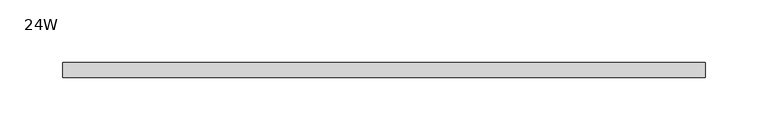
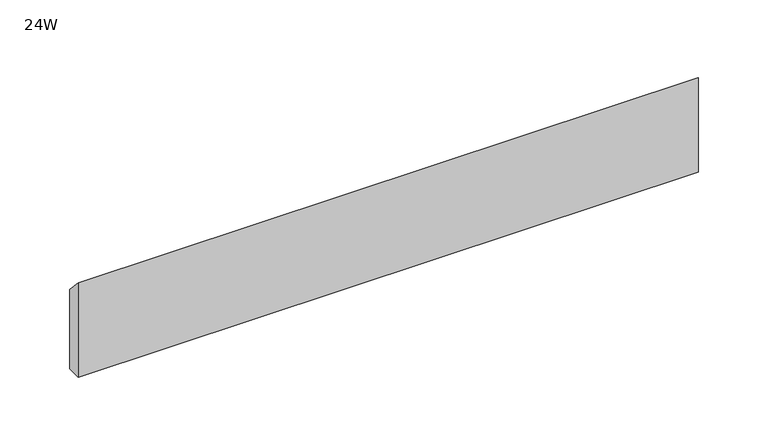
"""IFC4 building model written with IfcOpenShell, lengths in millimetres: furniture geometry, 24W."""

from ifc_helpers import new_model, si_unit, frame, origin, place, context, project, spatial, polyline, outline, extrude, source, transform, mapped, element, save


def furniture_24w_e8c5d838(model_context):
    return source(origin(), model_context, "Body", "SweptSolid", [
        extrude(outline(polyline([(-11.938, 882.65), (-11.938, 965.2), (0.0, 952.5), (0.0, 882.65), (-11.938, 882.65)])), frame((48.006, 0.0, 0.0), z_axis=(1.0, 0.0, 0.0), x_axis=(0.0, 1.0, 0.0)), (0.0, 0.0, 1.0), 513.588),
    ])


if __name__ == "__main__":
    model = new_model("IFC4")
    model_context = context("Model", 3, world=origin())
    ifc_project = project(units=[si_unit("LENGTHUNIT", "METRE", prefix="MILLI")], contexts=[model_context])
    site = spatial("IfcSite", under=ifc_project)
    building = spatial("IfcBuilding", under=site)
    placement = place(None, origin())
    furniture_24w_shape = furniture_24w_e8c5d838(model_context)
    element("IfcFurniture", 1, ObjectType="24W", at=placement, inside=building, context=model_context, shape_type="MappedRepresentation", body=[
        mapped(furniture_24w_shape, transform((0.0, 0.0, 0.0), x_axis=(1.0, 0.0, 0.0), y_axis=(0.0, 1.0, 0.0), z_axis=(0.0, 0.0, 1.0))),
    ])
    save(model, "model.ifc")
